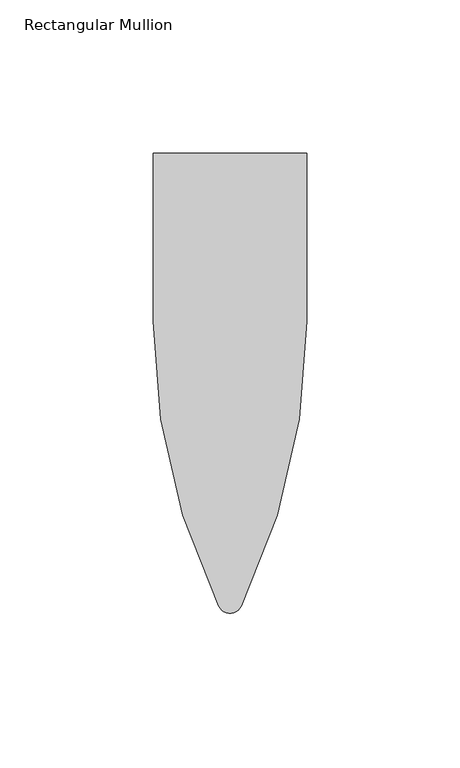
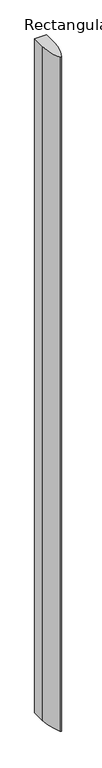
"""IFC4 building model written with IfcOpenShell, lengths in millimetres: member geometry, Rectangular Mullion."""

import ifcopenshell
import ifcopenshell.guid

model = None  # the IFC model being written
_history = None  # IfcOwnerHistory: only IFC2X3 demands one
_inside = {}  # id of a spatial element -> (the spatial element, [elements in it])
_under = {}  # id of a project, library or spatial element -> (it, [spatial elements below it])
_declared = {}  # id of a project -> (the project, [libraries it declares])
_typed = {}  # id of a type object -> (the type object, [elements of that type])
_made_of = {}  # id of a material, layer set ... -> (it, [elements and type objects made of it])


def new_model(schema):
    """Start an empty IFC model of exactly this schema.

    Asked for "IFC4X3", IfcOpenShell would pick the latest addendum, in which some entities
    have other attributes; the version numbers below select the first issue.
    IFC2X3 requires an IfcOwnerHistory on every rooted entity: one is made here for all.
    """
    global model, _history
    if schema == "IFC4X3":
        model = ifcopenshell.file(schema_version=(4, 3, 0, 0))
    else:
        model = ifcopenshell.file(schema=schema)
    _inside.clear()
    _under.clear()
    _declared.clear()
    _typed.clear()
    _made_of.clear()
    _history = None
    if model.schema == "IFC2X3":
        org = make("IfcOrganization", Name="unknown")
        user = make(
            "IfcPersonAndOrganization",
            ThePerson=make("IfcPerson", FamilyName="unknown"),
            TheOrganization=org,
        )
        app = make(
            "IfcApplication",
            ApplicationDeveloper=org,
            Version="unknown",
            ApplicationFullName="unknown",
            ApplicationIdentifier="unknown",
        )
        _history = make(
            "IfcOwnerHistory",
            OwningUser=user,
            OwningApplication=app,
            ChangeAction="ADDED",
            CreationDate=0,
        )
    return model


def make(cls, **values):
    """One entity of the class cls with the attributes given. An attribute that is None is left unset."""
    return model.create_entity(
        cls, **{name: value for name, value in values.items() if value is not None}
    )


def rooted(cls, **values):
    """An entity with a GlobalId (a new one), such as an element, a storey or a relation."""
    return make(cls, GlobalId=ifcopenshell.guid.new(), OwnerHistory=_history, **values)


def si_unit(unit_type, name, prefix=None):
    """IfcSIUnit, for example si_unit("LENGTHUNIT", "METRE", prefix="MILLI")."""
    return make("IfcSIUnit", UnitType=unit_type, Prefix=prefix, Name=name)


def assignment(units):
    """IfcUnitAssignment: the units of a project."""
    return None if units is None else make("IfcUnitAssignment", Units=units)


def point(xyz):
    """IfcCartesianPoint."""
    return None if xyz is None else make("IfcCartesianPoint", Coordinates=xyz)


def direction(xyz):
    """IfcDirection."""
    return None if xyz is None else make("IfcDirection", DirectionRatios=xyz)


def frame(location, z_axis=None, x_axis=None):
    """IfcAxis2Placement3D, a coordinate frame: its origin and axes. An axis left out is left unset."""
    return make(
        "IfcAxis2Placement3D",
        Location=point(location),
        Axis=direction(z_axis),
        RefDirection=direction(x_axis),
    )


def frame_2d(location, x_axis=None):
    """IfcAxis2Placement2D, a coordinate frame in the plane: its origin and x axis."""
    return make(
        "IfcAxis2Placement2D", Location=point(location), RefDirection=direction(x_axis)
    )


def origin():
    """The frame at (0, 0, 0) with its axes left unset."""
    return frame((0.0, 0.0, 0.0))


def place(relative_to, where):
    """IfcLocalPlacement: puts the frame where relative to a parent placement (None: the world)."""
    return make(
        "IfcLocalPlacement", PlacementRelTo=relative_to, RelativePlacement=where
    )


def context(
    kind, dimensions, precision=None, world=None, true_north=None, identifier=None
):
    """IfcGeometricRepresentationContext, for example the 3D "Model" context."""
    return make(
        "IfcGeometricRepresentationContext",
        ContextIdentifier=identifier,
        ContextType=kind,
        CoordinateSpaceDimension=dimensions,
        Precision=precision,
        WorldCoordinateSystem=world,
        TrueNorth=true_north,
    )


def project(units=None, contexts=None):
    """IfcProject with its units and contexts."""
    return rooted(
        "IfcProject",
        Name="project",
        RepresentationContexts=contexts,
        UnitsInContext=assignment(units),
    )


def spatial(cls, under=None, at=None, **own):
    """A site, building, storey or space (cls), placed at a placement, below another one or the project."""
    s = rooted(cls, ObjectPlacement=at, **own)
    if under is not None:
        _under.setdefault(under.id(), (under, []))[1].append(s)
    return s


def polyline(points):
    """IfcPolyline through the points."""
    return make("IfcPolyline", Points=[point(p) for p in points])


def circle_curve(where, radius):
    """IfcCircle in the frame where."""
    return make("IfcCircle", Position=where, Radius=radius)


def trimmed(basis, trim1, trim2, sense, master):
    """IfcTrimmedCurve: the piece of a basis curve between two trims."""
    return make(
        "IfcTrimmedCurve",
        BasisCurve=basis,
        Trim1=trim1,
        Trim2=trim2,
        SenseAgreement=sense,
        MasterRepresentation=master,
    )


def segment(curve, same_sense, transition):
    """IfcCompositeCurveSegment."""
    return make(
        "IfcCompositeCurveSegment",
        Transition=transition,
        SameSense=same_sense,
        ParentCurve=curve,
    )


def composite_curve(segments, self_intersect=None):
    """IfcCompositeCurve: segments joined end to end."""
    return make("IfcCompositeCurve", Segments=segments, SelfIntersect=self_intersect)


def outline(outer, holes=None, kind="AREA"):
    """IfcArbitraryClosedProfileDef: a profile drawn as a closed curve; with holes, ...WithVoids."""
    if holes is None:
        return make("IfcArbitraryClosedProfileDef", ProfileType=kind, OuterCurve=outer)
    return make(
        "IfcArbitraryProfileDefWithVoids",
        ProfileType=kind,
        OuterCurve=outer,
        InnerCurves=holes,
    )


def extrude(swept, where, along, depth):
    """IfcExtrudedAreaSolid: the profile swept, set in the frame where, extruded along a direction by depth."""
    return make(
        "IfcExtrudedAreaSolid",
        SweptArea=swept,
        Position=where,
        ExtrudedDirection=direction(along),
        Depth=depth,
    )


def shape(context_of_items, identifier, shape_type, items):
    """IfcShapeRepresentation: the items that make up one representation, for example the "Body"."""
    return make(
        "IfcShapeRepresentation",
        ContextOfItems=context_of_items,
        RepresentationIdentifier=identifier,
        RepresentationType=shape_type,
        Items=items,
    )


def source(mapping_origin, context_of_items, identifier, shape_type, items):
    """IfcRepresentationMap: a shape defined once, which mapped items show again and again."""
    return make(
        "IfcRepresentationMap",
        MappingOrigin=mapping_origin,
        MappedRepresentation=shape(context_of_items, identifier, shape_type, items),
    )


def transform(
    local_origin,
    x_axis=None,
    y_axis=None,
    z_axis=None,
    scale=None,
    scale2=None,
    scale3=None,
    uniform=True,
):
    """IfcCartesianTransformationOperator3D, or its non-uniform kind. x_axis, y_axis, z_axis: its Axis1, 2, 3."""
    if uniform:
        return make(
            "IfcCartesianTransformationOperator3D",
            Axis1=direction(x_axis),
            Axis2=direction(y_axis),
            LocalOrigin=point(local_origin),
            Scale=scale,
            Axis3=direction(z_axis),
        )
    return make(
        "IfcCartesianTransformationOperator3DnonUniform",
        Axis1=direction(x_axis),
        Axis2=direction(y_axis),
        LocalOrigin=point(local_origin),
        Scale=scale,
        Axis3=direction(z_axis),
        Scale2=scale2,
        Scale3=scale3,
    )


def mapped(mapping_source, mapping_target):
    """IfcMappedItem: shows the shape of a source again, moved by a transform."""
    return make(
        "IfcMappedItem", MappingSource=mapping_source, MappingTarget=mapping_target
    )


def made_of(thing, what):
    """Note that an element or type object is made of a material, layer set ...; save() writes the relation."""
    if what is not None:
        _made_of.setdefault(what.id(), (what, []))[1].append(thing)
    return thing


def element(
    cls,
    number,
    at=None,
    inside=None,
    cuts=None,
    type_object=None,
    material=None,
    context=None,
    identifier="Body",
    shape_type=None,
    held_by="IfcProductDefinitionShape",
    body=None,
    shapes=None,
    **own,
):
    """One element of the class cls, such as IfcWall. Its Tag is "e" and its number.

    at: its placement. inside: the storey or other place that contains it. cuts: it is an
    opening in that element (IfcRelVoidsElement). A single representation is given by context,
    identifier, shape_type and body (its items); several are given by shapes. held_by: the class
    of the entity that holds the representations. save() writes the other relations.
    """
    e = rooted(cls, Tag="e%d" % number, ObjectPlacement=at, **own)
    if body is not None:
        shapes = [shape(context, identifier, shape_type, body)]
    if shapes is not None:
        e.Representation = make(held_by, Representations=shapes)
    if inside is not None:
        _inside.setdefault(inside.id(), (inside, []))[1].append(e)
    if cuts is not None:
        rooted(
            "IfcRelVoidsElement", RelatingBuildingElement=cuts, RelatedOpeningElement=e
        )
    if type_object is not None:
        _typed.setdefault(type_object.id(), (type_object, []))[1].append(e)
    return made_of(e, material)


def aggregate(whole, parts):
    """IfcRelAggregates: a whole, such as a stair, and the parts it consists of."""
    return rooted("IfcRelAggregates", RelatingObject=whole, RelatedObjects=parts)


def save(model, path):
    """Write the relations noted so far, then the file.

    IfcRelAggregates (storeys below a building ...), IfcRelContainedInSpatialStructure (elements
    in a storey), IfcRelDefinesByType, IfcRelAssociatesMaterial and IfcRelDeclares: one each for
    every whole, place, type object, material and project.
    """
    for whole, parts in _under.values():
        aggregate(whole, parts)
    for where, things in _inside.values():
        rooted(
            "IfcRelContainedInSpatialStructure",
            RelatedElements=things,
            RelatingStructure=where,
        )
    for kind, things in _typed.values():
        rooted("IfcRelDefinesByType", RelatedObjects=things, RelatingType=kind)
    for what, things in _made_of.values():
        rooted("IfcRelAssociatesMaterial", RelatedObjects=things, RelatingMaterial=what)
    for by, libraries in _declared.values():
        rooted("IfcRelDeclares", RelatingContext=by, RelatedDefinitions=libraries)
    model.write(path)


def rectangular_mullion_20ca826b(model_context):
    return source(origin(), model_context, "Body", "SweptSolid", [
        extrude(outline(composite_curve([segment(polyline([(-25.0, 0.0), (25.0, 0.0), (25.0, -54.832657)]), True, "CONTINUOUS"), segment(trimmed(circle_curve(frame_2d((-187.9414475, -54.832657)), 212.9414475), [point((25.0, -54.832657))], [point((3.6489073, -147.7691731))], False, "CARTESIAN"), True, "CONTINUOUS"), segment(trimmed(circle_curve(frame_2d((0.0, -145.9003738)), 4.0996262), [point((3.6489073, -147.7691731))], [point((-3.6489073, -147.7691731))], False, "CARTESIAN"), True, "CONTINUOUS"), segment(trimmed(circle_curve(frame_2d((187.9414475, -54.832657)), 212.9414475), [point((-3.6489073, -147.7691731))], [point((-25.0, -54.832657))], False, "CARTESIAN"), True, "CONTINUOUS"), segment(polyline([(-25.0, -54.832657), (-25.0, 0.0)]), True, "CONTINUOUS")], self_intersect=False)), frame((0.0, 0.0, -3000.0), z_axis=(0.0, 0.0, 1.0), x_axis=(1.0, 0.0, 0.0)), (0.0, 0.0, 1.0), 3000.0),
    ])


if __name__ == "__main__":
    model = new_model("IFC4")
    model_context = context("Model", 3, world=origin())
    ifc_project = project(units=[si_unit("LENGTHUNIT", "METRE", prefix="MILLI")], contexts=[model_context])
    site = spatial("IfcSite", under=ifc_project)
    building = spatial("IfcBuilding", under=site)
    placement = place(None, origin())
    rectangular_mullion_shape = rectangular_mullion_20ca826b(model_context)
    element("IfcMember", 1, ObjectType="Rectangular Mullion", at=placement, inside=building, context=model_context, shape_type="MappedRepresentation", body=[
        mapped(rectangular_mullion_shape, transform((0.0, 0.0, 0.0), x_axis=(1.0, 0.0, 0.0), y_axis=(0.0, 1.0, 0.0), z_axis=(0.0, 0.0, 1.0))),
    ])
    save(model, "model.ifc")
